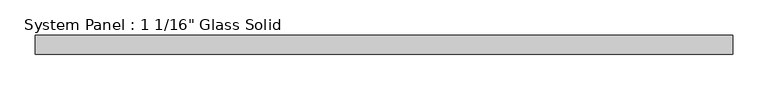
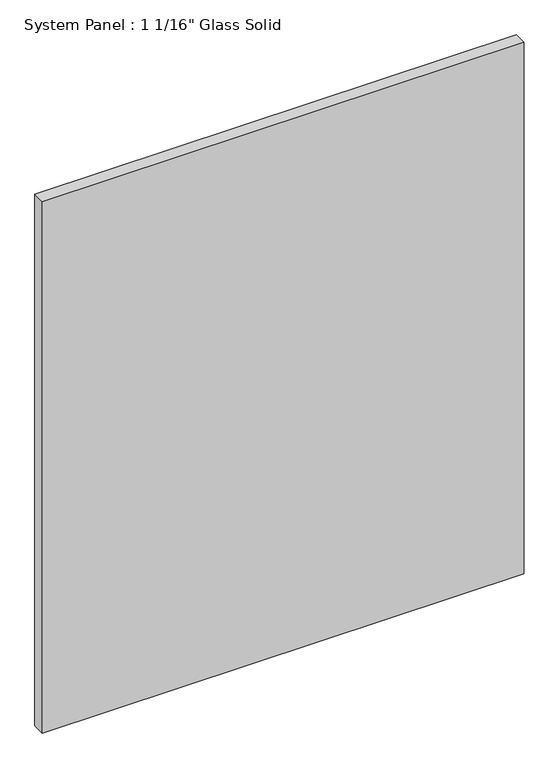
"""IFC4 building model written with IfcOpenShell, lengths in millimetres: plate geometry."""

from ifc_helpers import new_model, si_unit, origin, origin_with_axes, place, context, project, spatial, polyline, outline, extrude, source, transform, mapped, element, save


def plate_74e636a0(model_context):
    return source(origin(), model_context, "Body", "SweptSolid", [
        extrude(outline(polyline([(495.3008852, -13.49375), (-495.3008852, -13.49375), (-495.3008852, 13.49375), (495.3008852, 13.49375), (495.3008852, -13.49375)])), origin_with_axes(), (0.0, 0.0, 1.0), 1154.5441382),
    ])


if __name__ == "__main__":
    model = new_model("IFC4")
    model_context = context("Model", 3, world=origin())
    ifc_project = project(units=[si_unit("LENGTHUNIT", "METRE", prefix="MILLI")], contexts=[model_context])
    site = spatial("IfcSite", under=ifc_project)
    building = spatial("IfcBuilding", under=site)
    placement = place(None, origin())
    plate_shape = plate_74e636a0(model_context)
    element("IfcPlate", 1, ObjectType="System Panel : 1 1/16\" Glass Solid", at=placement, inside=building, context=model_context, shape_type="MappedRepresentation", body=[
        mapped(plate_shape, transform((0.0, 0.0, 0.0), x_axis=(1.0, 0.0, 0.0), y_axis=(0.0, 1.0, 0.0), z_axis=(0.0, 0.0, 1.0))),
    ])
    save(model, "model.ifc")
